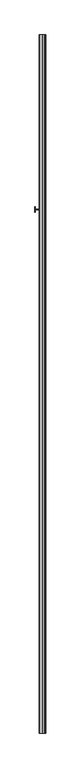
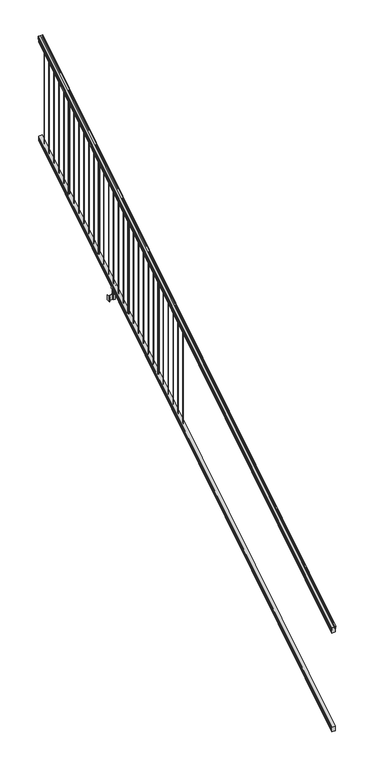
"""IFC4 building model written with IfcOpenShell, lengths in millimetres: railing geometry."""

from ifc_helpers import new_model, si_unit, point, frame, frame_2d, origin, place, context, project, spatial, polyline, circle_curve, ellipse_curve, trimmed, segment, composite_curve, outline, extrude, faceted_brep, source, transform, mapped, element, save
from ifc_brep_helpers import plane_surface, cylinder_surface, revolved_surface, advanced_brep


def railing_b6a951db(model_context):
    return source(origin(), model_context, "Body", "SolidModel", [
        advanced_brep(
        [(11092.2704765, -87458.4628453, 1285.6070492), (11092.2704765, -87458.4628453, 1287.8335658), (11093.4006628, -87458.4628453, 1289.6758543), (11093.4006628, -87458.4628453, 1298.1876358), (11092.7514064, -87458.4628453, 1301.0572588), (11095.2514064, -87458.4628453, 1306.1635509), (11096.6607489, -87458.4628453, 1308.1442021), (11097.0626479, -87458.4628453, 1309.4469579), (11097.0626478, -87458.4628453, 1311.0274846), (11095.5092005, -87458.4628453, 1312.8593836), (11074.8376478, -87458.4628453, 1312.8593836), (11054.166095, -87458.4628453, 1312.8593836), (11052.6126478, -87458.4628453, 1311.0274846), (11052.6126478, -87458.4628453, 1309.4469579), (11053.0145467, -87458.4628453, 1308.1442021), (11054.4238891, -87458.4628453, 1306.1635509), (11056.9238891, -87458.4628453, 1301.0572588), (11056.2746327, -87458.4628453, 1298.1876358), (11056.2746327, -87458.4628453, 1289.6758543), (11057.404819, -87458.4628453, 1287.8335658), (11057.404819, -87458.4628453, 1285.6070492), (11059.9786478, -87458.4628453, 1285.6070492), (11059.9786478, -87458.4628453, 1273.225537), (11058.9626478, -87458.4628453, 1272.0274214), (11058.9626478, -87458.4628453, 1257.3), (11090.7126478, -87458.4628453, 1257.3), (11090.7126478, -87458.4628453, 1271.841318), (11089.6966478, -87458.4628453, 1273.0394336), (11089.6966478, -87458.4628453, 1285.6070492), (11092.2704765, -82581.6628453, 4333.6070492), (11089.6966478, -82581.6628453, 4333.6070492), (11089.6966478, -82581.6628453, 4321.0394336), (11090.7126478, -82581.6628453, 4319.841318), (11090.7126478, -82581.6628453, 4305.3), (11058.9626478, -82581.6628453, 4305.3), (11058.9626478, -82581.6628453, 4320.0274214), (11059.9786478, -82581.6628453, 4321.225537), (11059.9786478, -82581.6628453, 4333.6070492), (11057.404819, -82581.6628453, 4333.6070492), (11057.404819, -82581.6628453, 4335.8335658), (11056.2746327, -82581.6628453, 4337.6758543), (11056.2746327, -82581.6628453, 4346.1876358), (11056.9238891, -82581.6628453, 4349.0572588), (11054.4238891, -82581.6628453, 4354.1635509), (11053.0145467, -82581.6628453, 4356.1442021), (11052.6126477, -82581.6628453, 4357.4469579), (11052.6126478, -82581.6628453, 4359.0274846), (11054.166095, -82581.6628453, 4360.8593836), (11074.8376478, -82581.6628453, 4360.8593836), (11095.5092005, -82581.6628453, 4360.8593836), (11097.0626478, -82581.6628453, 4359.0274846), (11097.0626478, -82581.6628453, 4357.4469579), (11096.6607489, -82581.6628453, 4356.1442021), (11095.2514064, -82581.6628453, 4354.1635509), (11092.7514064, -82581.6628453, 4349.0572588), (11093.4006628, -82581.6628453, 4346.1876358), (11093.4006628, -82581.6628453, 4337.6758543), (11092.2704765, -82581.6628453, 4335.8335658)],
        [
            (0, 1),
            (1, 2, ellipse_curve(frame((11085.9557232, -87458.4628453, 1294.6239405), z_axis=(0.0, -1.0, 0.0), x_axis=(0.0, 0.0, -1.0)), 10.0777926, 8.545951)),
            (2, 3, ellipse_curve(frame((11086.3927862, -87458.4628453, 1293.9317451), z_axis=(0.0, -1.0, 0.0), x_axis=(0.0, 0.0, -1.0)), 9.2955186, 7.882584)),
            (3, 4, ellipse_curve(frame((11096.9061103, -87458.4628453, 1300.8275077), z_axis=(0.0, 1.0, 0.0), x_axis=(0.0, 0.0, 1.0)), 4.9048088, 4.1592695)),
            (4, 5, ellipse_curve(frame((11098.1934169, -87458.4628453, 1300.7563208), z_axis=(0.0, 1.0, 0.0), x_axis=(0.0, 0.0, 1.0)), 6.4245301, 5.4479907)),
            (5, 6, ellipse_curve(frame((11096.9602584, -87458.4628453, 1306.1602333), z_axis=(0.0, 1.0, 0.0), x_axis=(0.0, 0.0, 1.0)), 2.0151625, 1.7088543)),
            (6, 7, ellipse_curve(frame((11095.3433583, -87458.4628453, 1309.4469579), z_axis=(0.0, -1.0, 0.0), x_axis=(0.0, 0.0, -1.0)), 2.0274681, 1.7192895)),
            (7, 8),
            (8, 9, ellipse_curve(frame((11095.5092005, -87458.4628453, 1311.0274846), z_axis=(0.0, -1.0, 0.0), x_axis=(0.0, 0.0, -1.0)), 1.831899, 1.5534472)),
            (9, 10),
            (10, 11),
            (11, 12, ellipse_curve(frame((11054.166095, -87458.4628453, 1311.0274846), z_axis=(0.0, -1.0, 0.0), x_axis=(0.0, 0.0, -1.0)), 1.831899, 1.5534472)),
            (12, 13),
            (13, 14, ellipse_curve(frame((11054.3319372, -87458.4628453, 1309.4469579), z_axis=(0.0, -1.0, 0.0), x_axis=(0.0, 0.0, -1.0)), 2.0274681, 1.7192895)),
            (14, 15, ellipse_curve(frame((11052.7150371, -87458.4628453, 1306.1602333), z_axis=(0.0, 1.0, 0.0), x_axis=(0.0, 0.0, 1.0)), 2.0151625, 1.7088543)),
            (15, 16, ellipse_curve(frame((11051.4818787, -87458.4628453, 1300.7563208), z_axis=(0.0, 1.0, 0.0), x_axis=(0.0, 0.0, 1.0)), 6.4245301, 5.4479907)),
            (16, 17, ellipse_curve(frame((11052.7691852, -87458.4628453, 1300.8275077), z_axis=(0.0, 1.0, 0.0), x_axis=(0.0, 0.0, 1.0)), 4.9048088, 4.1592695)),
            (17, 18, ellipse_curve(frame((11063.2825093, -87458.4628453, 1293.9317451), z_axis=(0.0, -1.0, 0.0), x_axis=(0.0, 0.0, -1.0)), 9.2955186, 7.882584)),
            (18, 19, ellipse_curve(frame((11063.7195723, -87458.4628453, 1294.6239405), z_axis=(0.0, -1.0, 0.0), x_axis=(0.0, 0.0, -1.0)), 10.0777926, 8.545951)),
            (19, 20),
            (20, 21, ellipse_curve(frame((11058.6917334, -87458.4628453, 1285.6070492), z_axis=(0.0, -1.0, 0.0), x_axis=(0.0, 0.0, -1.0)), 1.5175907, 1.2869144)),
            (21, 22),
            (22, 23),
            (23, 24),
            (24, 25),
            (25, 26),
            (26, 27),
            (27, 28),
            (28, 0, ellipse_curve(frame((11090.9835621, -87458.4628453, 1285.6070492), z_axis=(0.0, -1.0, 0.0), x_axis=(0.0, 0.0, -1.0)), 1.5175907, 1.2869144)),
            (29, 30, ellipse_curve(frame((11090.9835621, -82581.6628453, 4333.6070492), z_axis=(0.0, 1.0, 0.0), x_axis=(0.0, 0.0, -1.0)), 1.5175907, 1.2869144)),
            (30, 31),
            (31, 32),
            (32, 33),
            (33, 34),
            (34, 35),
            (35, 36),
            (36, 37),
            (37, 38, ellipse_curve(frame((11058.6917334, -82581.6628453, 4333.6070492), z_axis=(0.0, 1.0, 0.0), x_axis=(0.0, 0.0, -1.0)), 1.5175907, 1.2869144)),
            (38, 39),
            (39, 40, ellipse_curve(frame((11063.7195723, -82581.6628453, 4342.6239405), z_axis=(0.0, 1.0, 0.0), x_axis=(0.0, 0.0, -1.0)), 10.0777926, 8.545951)),
            (40, 41, ellipse_curve(frame((11063.2825093, -82581.6628453, 4341.9317451), z_axis=(0.0, 1.0, 0.0), x_axis=(0.0, 0.0, -1.0)), 9.2955186, 7.882584)),
            (41, 42, ellipse_curve(frame((11052.7691852, -82581.6628453, 4348.8275077), z_axis=(0.0, -1.0, 0.0), x_axis=(0.0, 0.0, 1.0)), 4.9048088, 4.1592695)),
            (42, 43, ellipse_curve(frame((11051.4818787, -82581.6628453, 4348.7563208), z_axis=(0.0, -1.0, 0.0), x_axis=(0.0, 0.0, 1.0)), 6.4245301, 5.4479907)),
            (43, 44, ellipse_curve(frame((11052.7150371, -82581.6628453, 4354.1602333), z_axis=(0.0, -1.0, 0.0), x_axis=(0.0, 0.0, 1.0)), 2.0151625, 1.7088543)),
            (44, 45, ellipse_curve(frame((11054.3319372, -82581.6628453, 4357.4469579), z_axis=(0.0, 1.0, 0.0), x_axis=(0.0, 0.0, -1.0)), 2.0274681, 1.7192895)),
            (45, 46),
            (46, 47, ellipse_curve(frame((11054.166095, -82581.6628453, 4359.0274846), z_axis=(0.0, 1.0, 0.0), x_axis=(0.0, 0.0, -1.0)), 1.831899, 1.5534472)),
            (47, 48),
            (48, 49),
            (49, 50, ellipse_curve(frame((11095.5092005, -82581.6628453, 4359.0274846), z_axis=(0.0, 1.0, 0.0), x_axis=(0.0, 0.0, -1.0)), 1.831899, 1.5534472)),
            (50, 51),
            (51, 52, ellipse_curve(frame((11095.3433583, -82581.6628453, 4357.4469579), z_axis=(0.0, 1.0, 0.0), x_axis=(0.0, 0.0, -1.0)), 2.0274681, 1.7192895)),
            (52, 53, ellipse_curve(frame((11096.9602584, -82581.6628453, 4354.1602333), z_axis=(0.0, -1.0, 0.0), x_axis=(0.0, 0.0, 1.0)), 2.0151625, 1.7088543)),
            (53, 54, ellipse_curve(frame((11098.1934169, -82581.6628453, 4348.7563208), z_axis=(0.0, -1.0, 0.0), x_axis=(0.0, 0.0, 1.0)), 6.4245301, 5.4479907)),
            (54, 55, ellipse_curve(frame((11096.9061103, -82581.6628453, 4348.8275077), z_axis=(0.0, -1.0, 0.0), x_axis=(0.0, 0.0, 1.0)), 4.9048088, 4.1592695)),
            (55, 56, ellipse_curve(frame((11086.3927862, -82581.6628453, 4341.9317451), z_axis=(0.0, 1.0, 0.0), x_axis=(0.0, 0.0, -1.0)), 9.2955186, 7.882584)),
            (56, 57, ellipse_curve(frame((11085.9557232, -82581.6628453, 4342.6239405), z_axis=(0.0, 1.0, 0.0), x_axis=(0.0, 0.0, -1.0)), 10.0777926, 8.545951)),
            (57, 29),
            (28, 30),
            (29, 0),
            (27, 31),
            (26, 32),
            (25, 33),
            (24, 34),
            (23, 35),
            (22, 36),
            (21, 37),
            (20, 38),
            (19, 39),
            (18, 40),
            (17, 41),
            (16, 42),
            (15, 43),
            (14, 44),
            (13, 45),
            (12, 46),
            (11, 47),
            (10, 48),
            (9, 49),
            (8, 50),
            (7, 51),
            (6, 52),
            (5, 53),
            (4, 54),
            (3, 55),
            (2, 56),
            (1, 57),
        ],
        [
            plane_surface(frame((11074.8376478, -87458.4628453, 1257.3), z_axis=(0.0, -1.0, 0.0), x_axis=(0.0, 0.0, 1.0))),
            plane_surface(frame((11074.8376478, -82581.6628453, 4305.3), z_axis=(0.0, 1.0, 0.0), x_axis=(0.0, 0.0, 1.0))),
            cylinder_surface(frame((11090.9835621, -87471.1851146, 1277.6556309), z_axis=(0.0, -0.8479983040051253, -0.5299989400031204), x_axis=(-1.0, 0.0, 0.0)), 1.2869144),
            plane_surface(frame((11089.6966478, -87458.4628453, 1273.0394336), z_axis=(1.0, 0.0, 0.0), x_axis=(0.0, 0.8479983040051252, 0.5299989400031204))),
            plane_surface(frame((11090.7126478, -87458.4628453, 1271.841318), z_axis=(0.7071067811865389, -0.3747658444978941, 0.5996253511967224), x_axis=(0.0, 0.8479983040051253, 0.5299989400031203))),
            plane_surface(frame((11090.7126478, -87458.4628453, 1257.3), z_axis=(1.0, 0.0, 0.0), x_axis=(0.0, 0.8479983040051252, 0.5299989400031204))),
            plane_surface(frame((11058.9626478, -87458.4628453, 1257.3), z_axis=(0.0, 0.5299989400031204, -0.8479983040051252), x_axis=(0.0, 0.8479983040051252, 0.5299989400031204))),
            plane_surface(frame((11058.9626478, -87458.4628453, 1272.0274214), z_axis=(-1.0000000000000002, 0.0, 0.0), x_axis=(0.0, 0.8479983040051253, 0.5299989400031204))),
            plane_surface(frame((11059.9786478, -87458.4628453, 1273.225537), z_axis=(-0.7071067811865438, -0.3747658444978897, 0.5996253511967192), x_axis=(0.0, 0.8479983040051252, 0.5299989400031204))),
            plane_surface(frame((11059.9786478, -87458.4628453, 1285.6070492), z_axis=(-1.0, 0.0, 0.0), x_axis=(0.0, 0.8479983040051252, 0.5299989400031204))),
            cylinder_surface(frame((11058.6917334, -87471.1851146, 1277.6556309), z_axis=(0.0, -0.8479983040051253, -0.5299989400031204), x_axis=(1.0, 0.0, 0.0)), 1.2869144),
            plane_surface(frame((11057.404819, -87458.4628453, 1287.8335658), z_axis=(-1.0, 0.0, 0.0), x_axis=(0.0, 0.8479983040051252, 0.5299989400031204))),
            cylinder_surface(frame((11063.7195723, -87475.23765, 1284.1396876), z_axis=(0.0, -0.8479983040051253, -0.5299989400031204), x_axis=(1.0, 0.0, 0.0)), 8.545951),
            cylinder_surface(frame((11063.2825093, -87474.9265509, 1283.641929), z_axis=(0.0, -0.8479983040051253, -0.5299989400031204), x_axis=(1.0, 0.0, 0.0)), 7.882584),
            revolved_surface(polyline([(11056.9284547, -82579.45843685034, 4350.205262980551), (11056.9284547, -87460.66725374945, 1299.4497524190954)]), (11052.7691852, -87478.0257701, 1288.6006797), (0.0, 0.8479983040051253, 0.5299989400031204)),
            revolved_surface(polyline([(11056.9298694, -82578.77541603574, 4350.5609640771845), (11056.9298694, -87461.35027455281, 1298.9516775044929)]), (11051.4818787, -87477.993776, 1288.5494891), (0.0, 0.8479983040051253, 0.5299989400031204)),
            revolved_surface(polyline([(11054.423891400002, -82580.75715429979, 4354.726290199658), (11054.423891400002, -87459.36853632248, 1305.5941764359545)]), (11052.7150371, -87480.4225007, 1292.4354487), (0.0, 0.8479983040051253, 0.5299989400031204)),
            cylinder_surface(frame((11054.3319372, -87481.8996803, 1294.798936), z_axis=(0.0, -0.8479983040051253, -0.5299989400031204), x_axis=(1.0, 0.0, 0.0)), 1.7192895),
            plane_surface(frame((11052.6126478, -87458.4628453, 1311.0274846), z_axis=(-1.0000000000000002, 0.0, 0.0), x_axis=(0.0, 0.8479983040051253, 0.5299989400031204))),
            cylinder_surface(frame((11054.166095, -87482.6100294, 1295.9354945), z_axis=(0.0, -0.8479983040051253, -0.5299989400031204), x_axis=(1.0, 0.0, 0.0)), 1.5534472),
            plane_surface(frame((11074.8376478, -87458.4628453, 1312.8593836), z_axis=(0.0, -0.5299989400031204, 0.8479983040051252), x_axis=(0.0, 0.8479983040051252, 0.5299989400031204))),
            plane_surface(frame((11095.5092005, -87458.4628453, 1312.8593836), z_axis=(0.0, -0.5299989400031204, 0.8479983040051252), x_axis=(0.0, 0.8479983040051252, 0.5299989400031204))),
            cylinder_surface(frame((11095.5092005, -87482.6100294, 1295.9354945), z_axis=(0.0, -0.8479983040051253, -0.5299989400031204), x_axis=(-1.0, 0.0, 0.0)), 1.5534472),
            plane_surface(frame((11097.0626478, -87458.4628453, 1309.4469579), z_axis=(1.0, 0.0, 0.0), x_axis=(0.0, 0.8479983040051252, 0.5299989400031204))),
            cylinder_surface(frame((11095.3433583, -87481.8996803, 1294.798936), z_axis=(0.0, -0.8479983040051253, -0.5299989400031204), x_axis=(-1.0, 0.0, 0.0)), 1.7192895),
            revolved_surface(polyline([(11095.2514041, -82580.75715429979, 4354.726290199658), (11095.2514041, -87459.36853632248, 1305.5941764359545)]), (11096.9602584, -87480.4225007, 1292.4354487), (0.0, 0.8479983040051253, 0.5299989400031204)),
            revolved_surface(polyline([(11092.7454262, -82578.77541603574, 4350.5609640771845), (11092.7454262, -87461.35027455281, 1298.9516775044929)]), (11098.1934169, -87477.993776, 1288.5494891), (0.0, 0.8479983040051253, 0.5299989400031204)),
            revolved_surface(polyline([(11092.7468408, -82579.45843685034, 4350.205262980551), (11092.7468408, -87460.66725374945, 1299.4497524190954)]), (11096.9061103, -87478.0257701, 1288.6006797), (0.0, 0.8479983040051253, 0.5299989400031204)),
            cylinder_surface(frame((11086.3927862, -87474.9265509, 1283.641929), z_axis=(0.0, -0.8479983040051253, -0.5299989400031204), x_axis=(-1.0, 0.0, 0.0)), 7.882584),
            cylinder_surface(frame((11085.9557232, -87475.23765, 1284.1396876), z_axis=(0.0, -0.8479983040051253, -0.5299989400031204), x_axis=(-1.0, 0.0, 0.0)), 8.545951),
            plane_surface(frame((11092.2704765, -87458.4628453, 1285.6070492), z_axis=(1.0, 0.0, 0.0), x_axis=(0.0, 0.8479983040051252, 0.5299989400031204))),
        ],
        [
            (0, [[1, 2, 3, 4, 5, 6, 7, 8, 9, 10, 11, 12, 13, 14, 15, 16, 17, 18, 19, 20, 21, 22, 23, 24, 25, 26, 27, 28, 29]]),
            (1, [[30, 31, 32, 33, 34, 35, 36, 37, 38, 39, 40, 41, 42, 43, 44, 45, 46, 47, 48, 49, 50, 51, 52, 53, 54, 55, 56, 57, 58]]),
            (2, [[-29, 59, -30, 60]]),
            (3, [[-28, 61, -31, -59]]),
            (4, [[-27, 62, -32, -61]]),
            (5, [[-26, 63, -33, -62]]),
            (6, [[-25, 64, -34, -63]]),
            (7, [[-24, 65, -35, -64]]),
            (8, [[-23, 66, -36, -65]]),
            (9, [[-22, 67, -37, -66]]),
            (10, [[-21, 68, -38, -67]]),
            (11, [[-20, 69, -39, -68]]),
            (12, [[-19, 70, -40, -69]]),
            (13, [[-18, 71, -41, -70]]),
            (14, [[-17, 72, -42, -71]]),
            (15, [[-16, 73, -43, -72]]),
            (16, [[-15, 74, -44, -73]]),
            (17, [[-14, 75, -45, -74]]),
            (18, [[-13, 76, -46, -75]]),
            (19, [[-12, 77, -47, -76]]),
            (20, [[-11, 78, -48, -77]]),
            (21, [[-10, 79, -49, -78]]),
            (22, [[-9, 80, -50, -79]]),
            (23, [[-8, 81, -51, -80]]),
            (24, [[-7, 82, -52, -81]]),
            (25, [[-6, 83, -53, -82]]),
            (26, [[-5, 84, -54, -83]]),
            (27, [[-4, 85, -55, -84]]),
            (28, [[-3, 86, -56, -85]]),
            (29, [[-2, 87, -57, -86]]),
            (30, [[-1, -60, -58, -87]]),
        ],
    ),
        faceted_brep([(11090.7501347, -87458.4628453, 268.8045079), (11089.7341347, -87458.4628453, 270.338026), (11089.7341347, -87458.4628453, 282.5545048), (11090.7501347, -87458.4628453, 284.1444579), (11090.7501347, -87458.4628453, 298.9244744), (11059.0001347, -87458.4628453, 298.9244744), (11059.0001347, -87458.4628453, 284.1248272), (11060.0161347, -87458.4628453, 282.5348741), (11060.0161347, -87458.4628453, 270.3748303), (11059.0001347, -87458.4628453, 268.7848772), (11059.0001347, -87458.4628453, 254.0), (11090.7501347, -87458.4628453, 254.0), (11090.7501347, -82581.6628453, 3316.8045079), (11090.7501347, -82581.6628453, 3302.0), (11059.0001347, -82581.6628453, 3302.0), (11059.0001347, -82581.6628453, 3316.7848772), (11060.0161347, -82581.6628453, 3318.3748303), (11060.0161347, -82581.6628453, 3330.5348741), (11059.0001347, -82581.6628453, 3332.1248272), (11059.0001347, -82581.6628453, 3346.9244744), (11090.7501347, -82581.6628453, 3346.9244744), (11090.7501347, -82581.6628453, 3332.1444579), (11089.7341347, -82581.6628453, 3330.5545048), (11089.7341347, -82581.6628453, 3318.338026)], [[[0, 1, 2, 3, 4, 5, 6, 7, 8, 9, 10, 11]], [[12, 13, 14, 15, 16, 17, 18, 19, 20, 21, 22, 23]], [[0, 11, 13, 12]], [[11, 10, 14, 13]], [[10, 9, 15, 14]], [[9, 8, 16, 15]], [[8, 7, 17, 16]], [[7, 6, 18, 17]], [[6, 5, 19, 18]], [[5, 4, 20, 19]], [[4, 3, 21, 20]], [[3, 2, 22, 21]], [[2, 1, 23, 22]], [[1, 0, 12, 23]]]),
        extrude(outline(composite_curve([segment(trimmed(circle_curve(frame_2d((11074.8376478, -82645.1628453)), 1.5875), [point((11076.4251478, -82645.1628453))], [point((11074.8376478, -82646.7503453))], False, "CARTESIAN"), True, "CONTINUOUS"), segment(trimmed(circle_curve(frame_2d((11074.8376478, -82645.1628453)), 1.5875), [point((11074.8376478, -82646.7503453))], [point((11073.2501478, -82645.1628453))], False, "CARTESIAN"), True, "CONTINUOUS"), segment(trimmed(circle_curve(frame_2d((11074.8376478, -82645.1628453)), 1.5875), [point((11073.2501478, -82645.1628453))], [point((11074.8376478, -82643.5753453))], False, "CARTESIAN"), True, "CONTINUOUS"), segment(trimmed(circle_curve(frame_2d((11074.8376478, -82645.1628453)), 1.5875), [point((11074.8376478, -82643.5753453))], [point((11076.4251478, -82645.1628453))], False, "CARTESIAN"), True, "CONTINUOUS")], self_intersect=False)), frame((0.0, 0.0, 3300.4083781), z_axis=(0.0, 0.0, 1.0), x_axis=(1.0, 0.0, 0.0)), (0.0, 0.0, 1.0), 965.2041219),
        extrude(outline(composite_curve([segment(trimmed(circle_curve(frame_2d((11074.8376478, -82727.7128453)), 1.5875), [point((11076.4251478, -82727.7128453))], [point((11074.8376478, -82729.3003453))], False, "CARTESIAN"), True, "CONTINUOUS"), segment(trimmed(circle_curve(frame_2d((11074.8376478, -82727.7128453)), 1.5875), [point((11074.8376478, -82729.3003453))], [point((11073.2501478, -82727.7128453))], False, "CARTESIAN"), True, "CONTINUOUS"), segment(trimmed(circle_curve(frame_2d((11074.8376478, -82727.7128453)), 1.5875), [point((11073.2501478, -82727.7128453))], [point((11074.8376478, -82726.1253453))], False, "CARTESIAN"), True, "CONTINUOUS"), segment(trimmed(circle_curve(frame_2d((11074.8376478, -82727.7128453)), 1.5875), [point((11074.8376478, -82726.1253453))], [point((11076.4251478, -82727.7128453))], False, "CARTESIAN"), True, "CONTINUOUS")], self_intersect=False)), frame((0.0, 0.0, 3248.8146281), z_axis=(0.0, 0.0, 1.0), x_axis=(1.0, 0.0, 0.0)), (0.0, 0.0, 1.0), 965.2041219),
        extrude(outline(composite_curve([segment(trimmed(circle_curve(frame_2d((11074.8376478, -82810.2628453)), 1.5875), [point((11076.4251478, -82810.2628453))], [point((11074.8376478, -82811.8503453))], False, "CARTESIAN"), True, "CONTINUOUS"), segment(trimmed(circle_curve(frame_2d((11074.8376478, -82810.2628453)), 1.5875), [point((11074.8376478, -82811.8503453))], [point((11073.2501478, -82810.2628453))], False, "CARTESIAN"), True, "CONTINUOUS"), segment(trimmed(circle_curve(frame_2d((11074.8376478, -82810.2628453)), 1.5875), [point((11073.2501478, -82810.2628453))], [point((11074.8376478, -82808.6753453))], False, "CARTESIAN"), True, "CONTINUOUS"), segment(trimmed(circle_curve(frame_2d((11074.8376478, -82810.2628453)), 1.5875), [point((11074.8376478, -82808.6753453))], [point((11076.4251478, -82810.2628453))], False, "CARTESIAN"), True, "CONTINUOUS")], self_intersect=False)), frame((0.0, 0.0, 3197.2208781), z_axis=(0.0, 0.0, 1.0), x_axis=(1.0, 0.0, 0.0)), (0.0, 0.0, 1.0), 965.2041219),
        extrude(outline(composite_curve([segment(trimmed(circle_curve(frame_2d((11074.8376478, -82892.8128453)), 1.5875), [point((11076.4251478, -82892.8128453))], [point((11074.8376478, -82894.4003453))], False, "CARTESIAN"), True, "CONTINUOUS"), segment(trimmed(circle_curve(frame_2d((11074.8376478, -82892.8128453)), 1.5875), [point((11074.8376478, -82894.4003453))], [point((11073.2501478, -82892.8128453))], False, "CARTESIAN"), True, "CONTINUOUS"), segment(trimmed(circle_curve(frame_2d((11074.8376478, -82892.8128453)), 1.5875), [point((11073.2501478, -82892.8128453))], [point((11074.8376478, -82891.2253453))], False, "CARTESIAN"), True, "CONTINUOUS"), segment(trimmed(circle_curve(frame_2d((11074.8376478, -82892.8128453)), 1.5875), [point((11074.8376478, -82891.2253453))], [point((11076.4251478, -82892.8128453))], False, "CARTESIAN"), True, "CONTINUOUS")], self_intersect=False)), frame((0.0, 0.0, 3145.6271281), z_axis=(0.0, 0.0, 1.0), x_axis=(1.0, 0.0, 0.0)), (0.0, 0.0, 1.0), 965.2041219),
        extrude(outline(composite_curve([segment(trimmed(circle_curve(frame_2d((11074.8376478, -82975.3628453)), 1.5875), [point((11076.4251478, -82975.3628453))], [point((11074.8376478, -82976.9503453))], False, "CARTESIAN"), True, "CONTINUOUS"), segment(trimmed(circle_curve(frame_2d((11074.8376478, -82975.3628453)), 1.5875), [point((11074.8376478, -82976.9503453))], [point((11073.2501478, -82975.3628453))], False, "CARTESIAN"), True, "CONTINUOUS"), segment(trimmed(circle_curve(frame_2d((11074.8376478, -82975.3628453)), 1.5875), [point((11073.2501478, -82975.3628453))], [point((11074.8376478, -82973.7753453))], False, "CARTESIAN"), True, "CONTINUOUS"), segment(trimmed(circle_curve(frame_2d((11074.8376478, -82975.3628453)), 1.5875), [point((11074.8376478, -82973.7753453))], [point((11076.4251478, -82975.3628453))], False, "CARTESIAN"), True, "CONTINUOUS")], self_intersect=False)), frame((0.0, 0.0, 3094.0333781), z_axis=(0.0, 0.0, 1.0), x_axis=(1.0, 0.0, 0.0)), (0.0, 0.0, 1.0), 965.2041219),
        extrude(outline(composite_curve([segment(trimmed(circle_curve(frame_2d((11074.8376478, -83057.9128453)), 6.35), [point((11081.1876478, -83057.9128453))], [point((11074.8376478, -83064.2628453))], False, "CARTESIAN"), True, "CONTINUOUS"), segment(trimmed(circle_curve(frame_2d((11074.8376478, -83057.9128453)), 6.35), [point((11074.8376478, -83064.2628453))], [point((11068.4876478, -83057.9128453))], False, "CARTESIAN"), True, "CONTINUOUS"), segment(trimmed(circle_curve(frame_2d((11074.8376478, -83057.9128453)), 6.35), [point((11068.4876478, -83057.9128453))], [point((11074.8376478, -83051.5628453))], False, "CARTESIAN"), True, "CONTINUOUS"), segment(trimmed(circle_curve(frame_2d((11074.8376478, -83057.9128453)), 6.35), [point((11074.8376478, -83051.5628453))], [point((11081.1876478, -83057.9128453))], False, "CARTESIAN"), True, "CONTINUOUS")], self_intersect=False)), frame((0.0, 0.0, 3042.4396281), z_axis=(0.0, 0.0, 1.0), x_axis=(1.0, 0.0, 0.0)), (0.0, 0.0, 1.0), 965.2041219),
        extrude(outline(composite_curve([segment(trimmed(circle_curve(frame_2d((11074.8376478, -83140.4628453)), 1.5875), [point((11076.4251478, -83140.4628453))], [point((11074.8376478, -83142.0503453))], False, "CARTESIAN"), True, "CONTINUOUS"), segment(trimmed(circle_curve(frame_2d((11074.8376478, -83140.4628453)), 1.5875), [point((11074.8376478, -83142.0503453))], [point((11073.2501478, -83140.4628453))], False, "CARTESIAN"), True, "CONTINUOUS"), segment(trimmed(circle_curve(frame_2d((11074.8376478, -83140.4628453)), 1.5875), [point((11073.2501478, -83140.4628453))], [point((11074.8376478, -83138.8753453))], False, "CARTESIAN"), True, "CONTINUOUS"), segment(trimmed(circle_curve(frame_2d((11074.8376478, -83140.4628453)), 1.5875), [point((11074.8376478, -83138.8753453))], [point((11076.4251478, -83140.4628453))], False, "CARTESIAN"), True, "CONTINUOUS")], self_intersect=False)), frame((0.0, 0.0, 2990.8458781), z_axis=(0.0, 0.0, 1.0), x_axis=(1.0, 0.0, 0.0)), (0.0, 0.0, 1.0), 965.2041219),
        extrude(outline(composite_curve([segment(trimmed(circle_curve(frame_2d((11074.8376478, -83223.0128453)), 1.5875), [point((11076.4251478, -83223.0128453))], [point((11074.8376478, -83224.6003453))], False, "CARTESIAN"), True, "CONTINUOUS"), segment(trimmed(circle_curve(frame_2d((11074.8376478, -83223.0128453)), 1.5875), [point((11074.8376478, -83224.6003453))], [point((11073.2501478, -83223.0128453))], False, "CARTESIAN"), True, "CONTINUOUS"), segment(trimmed(circle_curve(frame_2d((11074.8376478, -83223.0128453)), 1.5875), [point((11073.2501478, -83223.0128453))], [point((11074.8376478, -83221.4253453))], False, "CARTESIAN"), True, "CONTINUOUS"), segment(trimmed(circle_curve(frame_2d((11074.8376478, -83223.0128453)), 1.5875), [point((11074.8376478, -83221.4253453))], [point((11076.4251478, -83223.0128453))], False, "CARTESIAN"), True, "CONTINUOUS")], self_intersect=False)), frame((0.0, 0.0, 2939.2521281), z_axis=(0.0, 0.0, 1.0), x_axis=(1.0, 0.0, 0.0)), (0.0, 0.0, 1.0), 965.2041219),
        extrude(outline(composite_curve([segment(trimmed(circle_curve(frame_2d((11074.8376478, -83305.5628453)), 1.5875), [point((11076.4251478, -83305.5628453))], [point((11074.8376478, -83307.1503453))], False, "CARTESIAN"), True, "CONTINUOUS"), segment(trimmed(circle_curve(frame_2d((11074.8376478, -83305.5628453)), 1.5875), [point((11074.8376478, -83307.1503453))], [point((11073.2501478, -83305.5628453))], False, "CARTESIAN"), True, "CONTINUOUS"), segment(trimmed(circle_curve(frame_2d((11074.8376478, -83305.5628453)), 1.5875), [point((11073.2501478, -83305.5628453))], [point((11074.8376478, -83303.9753453))], False, "CARTESIAN"), True, "CONTINUOUS"), segment(trimmed(circle_curve(frame_2d((11074.8376478, -83305.5628453)), 1.5875), [point((11074.8376478, -83303.9753453))], [point((11076.4251478, -83305.5628453))], False, "CARTESIAN"), True, "CONTINUOUS")], self_intersect=False)), frame((0.0, 0.0, 2887.6583781), z_axis=(0.0, 0.0, 1.0), x_axis=(1.0, 0.0, 0.0)), (0.0, 0.0, 1.0), 965.2041219),
        extrude(outline(composite_curve([segment(trimmed(circle_curve(frame_2d((11074.8376478, -83388.1128453)), 1.5875), [point((11076.4251478, -83388.1128453))], [point((11074.8376478, -83389.7003453))], False, "CARTESIAN"), True, "CONTINUOUS"), segment(trimmed(circle_curve(frame_2d((11074.8376478, -83388.1128453)), 1.5875), [point((11074.8376478, -83389.7003453))], [point((11073.2501478, -83388.1128453))], False, "CARTESIAN"), True, "CONTINUOUS"), segment(trimmed(circle_curve(frame_2d((11074.8376478, -83388.1128453)), 1.5875), [point((11073.2501478, -83388.1128453))], [point((11074.8376478, -83386.5253453))], False, "CARTESIAN"), True, "CONTINUOUS"), segment(trimmed(circle_curve(frame_2d((11074.8376478, -83388.1128453)), 1.5875), [point((11074.8376478, -83386.5253453))], [point((11076.4251478, -83388.1128453))], False, "CARTESIAN"), True, "CONTINUOUS")], self_intersect=False)), frame((0.0, 0.0, 2836.0646281), z_axis=(0.0, 0.0, 1.0), x_axis=(1.0, 0.0, 0.0)), (0.0, 0.0, 1.0), 965.2041219),
        extrude(outline(composite_curve([segment(trimmed(circle_curve(frame_2d((11074.8376478, -83470.6628453)), 1.5875), [point((11076.4251478, -83470.6628453))], [point((11074.8376478, -83472.2503453))], False, "CARTESIAN"), True, "CONTINUOUS"), segment(trimmed(circle_curve(frame_2d((11074.8376478, -83470.6628453)), 1.5875), [point((11074.8376478, -83472.2503453))], [point((11073.2501478, -83470.6628453))], False, "CARTESIAN"), True, "CONTINUOUS"), segment(trimmed(circle_curve(frame_2d((11074.8376478, -83470.6628453)), 1.5875), [point((11073.2501478, -83470.6628453))], [point((11074.8376478, -83469.0753453))], False, "CARTESIAN"), True, "CONTINUOUS"), segment(trimmed(circle_curve(frame_2d((11074.8376478, -83470.6628453)), 1.5875), [point((11074.8376478, -83469.0753453))], [point((11076.4251478, -83470.6628453))], False, "CARTESIAN"), True, "CONTINUOUS")], self_intersect=False)), frame((0.0, 0.0, 2784.4708781), z_axis=(0.0, 0.0, 1.0), x_axis=(1.0, 0.0, 0.0)), (0.0, 0.0, 1.0), 965.2041219),
        extrude(outline(composite_curve([segment(trimmed(circle_curve(frame_2d((11074.8376478, -83553.2128453)), 6.35), [point((11081.1876478, -83553.2128453))], [point((11074.8376478, -83559.5628453))], False, "CARTESIAN"), True, "CONTINUOUS"), segment(trimmed(circle_curve(frame_2d((11074.8376478, -83553.2128453)), 6.35), [point((11074.8376478, -83559.5628453))], [point((11068.4876478, -83553.2128453))], False, "CARTESIAN"), True, "CONTINUOUS"), segment(trimmed(circle_curve(frame_2d((11074.8376478, -83553.2128453)), 6.35), [point((11068.4876478, -83553.2128453))], [point((11074.8376478, -83546.8628453))], False, "CARTESIAN"), True, "CONTINUOUS"), segment(trimmed(circle_curve(frame_2d((11074.8376478, -83553.2128453)), 6.35), [point((11074.8376478, -83546.8628453))], [point((11081.1876478, -83553.2128453))], False, "CARTESIAN"), True, "CONTINUOUS")], self_intersect=False)), frame((0.0, 0.0, 2732.8771281), z_axis=(0.0, 0.0, 1.0), x_axis=(1.0, 0.0, 0.0)), (0.0, 0.0, 1.0), 965.2041219),
        extrude(outline(composite_curve([segment(trimmed(circle_curve(frame_2d((11074.8376478, -83635.7628453)), 1.5875), [point((11076.4251478, -83635.7628453))], [point((11074.8376478, -83637.3503453))], False, "CARTESIAN"), True, "CONTINUOUS"), segment(trimmed(circle_curve(frame_2d((11074.8376478, -83635.7628453)), 1.5875), [point((11074.8376478, -83637.3503453))], [point((11073.2501478, -83635.7628453))], False, "CARTESIAN"), True, "CONTINUOUS"), segment(trimmed(circle_curve(frame_2d((11074.8376478, -83635.7628453)), 1.5875), [point((11073.2501478, -83635.7628453))], [point((11074.8376478, -83634.1753453))], False, "CARTESIAN"), True, "CONTINUOUS"), segment(trimmed(circle_curve(frame_2d((11074.8376478, -83635.7628453)), 1.5875), [point((11074.8376478, -83634.1753453))], [point((11076.4251478, -83635.7628453))], False, "CARTESIAN"), True, "CONTINUOUS")], self_intersect=False)), frame((0.0, 0.0, 2681.2833781), z_axis=(0.0, 0.0, 1.0), x_axis=(1.0, 0.0, 0.0)), (0.0, 0.0, 1.0), 965.2041219),
        extrude(outline(composite_curve([segment(trimmed(circle_curve(frame_2d((11074.8376478, -83718.3128453)), 1.5875), [point((11076.4251478, -83718.3128453))], [point((11074.8376478, -83719.9003453))], False, "CARTESIAN"), True, "CONTINUOUS"), segment(trimmed(circle_curve(frame_2d((11074.8376478, -83718.3128453)), 1.5875), [point((11074.8376478, -83719.9003453))], [point((11073.2501478, -83718.3128453))], False, "CARTESIAN"), True, "CONTINUOUS"), segment(trimmed(circle_curve(frame_2d((11074.8376478, -83718.3128453)), 1.5875), [point((11073.2501478, -83718.3128453))], [point((11074.8376478, -83716.7253453))], False, "CARTESIAN"), True, "CONTINUOUS"), segment(trimmed(circle_curve(frame_2d((11074.8376478, -83718.3128453)), 1.5875), [point((11074.8376478, -83716.7253453))], [point((11076.4251478, -83718.3128453))], False, "CARTESIAN"), True, "CONTINUOUS")], self_intersect=False)), frame((0.0, 0.0, 2629.6896281), z_axis=(0.0, 0.0, 1.0), x_axis=(1.0, 0.0, 0.0)), (0.0, 0.0, 1.0), 965.2041219),
        extrude(outline(polyline([(11064.169648, -83802.1328453), (11024.7996478, -83802.1328453), (11024.7996478, -83799.5928453), (11064.169648, -83799.5928453), (11064.169648, -83802.1328453)])), frame((0.0, 0.0, 2425.7), z_axis=(0.0, 0.0, 1.0), x_axis=(1.0, 0.0, 0.0)), (0.0, 0.0, 1.0), 50.8),
        extrude(outline(polyline([(11024.7996478, -83819.9128453), (11022.2596478, -83819.9128453), (11022.2596478, -83781.8128453), (11024.7996478, -83781.8128453), (11024.7996478, -83819.9128453)])), frame((0.0, 0.0, 2425.7), z_axis=(0.0, 0.0, 1.0), x_axis=(1.0, 0.0, 0.0)), (0.0, 0.0, 1.0), 50.8),
        extrude(outline(polyline([(11085.5056485, -83810.7688453), (11064.169648, -83810.7688453), (11064.169648, -83790.9568453), (11085.5056485, -83790.9568453), (11085.5056485, -83810.7688453)]), holes=[polyline([(11082.2036484, -83808.2288453), (11082.2036484, -83793.4968453), (11067.4716481, -83793.4968453), (11067.4716481, -83808.2288453), (11082.2036484, -83808.2288453)])]), frame((0.0, 0.0, 2425.7), z_axis=(0.0, 0.0, 1.0), x_axis=(1.0, 0.0, 0.0)), (0.0, 0.0, 1.0), 50.8),
        extrude(outline(polyline([(2565.2203979, 11056.6766489), (2564.4583969, 11055.9146479), (2537.9680023, 11055.9146479), (2537.2060013, 11056.6766489), (2537.2060013, 11066.709648), (2536.4440012, 11067.4716481), (2472.9440012, 11067.4716481), (2472.9440012, 11082.2036484), (2536.4440012, 11082.2036484), (2537.2060013, 11082.9656485), (2537.2060013, 11092.9986475), (2537.9680023, 11093.7606486), (2564.4583969, 11093.7606486), (2565.2203979, 11092.9986475), (2565.2203979, 11090.966648), (2564.2043953, 11089.9506482), (2553.7686081, 11089.9506482), (2552.7526073, 11090.966648), (2540.762001, 11090.966648), (2540.0000019, 11090.2046488), (2540.0000019, 11059.4706477), (2540.762001, 11058.7086485), (2552.7526073, 11058.7086485), (2553.7686081, 11059.7246483), (2564.2043953, 11059.7246483), (2565.2203979, 11058.7086485), (2565.2203979, 11056.6766489)]), holes=[polyline([(2537.2060013, 11078.2666481), (2536.4440012, 11079.0286482), (2480.4370031, 11079.0286482), (2479.6750031, 11078.2666481), (2479.6750031, 11071.4086455), (2480.4370003, 11070.6466483), (2536.4440012, 11070.6466483), (2537.2060013, 11071.4086483), (2537.2060013, 11078.2666481)])]), frame((0.0, -83808.2288453, 0.0), z_axis=(0.0, 1.0, 0.0), x_axis=(0.0, 0.0, 1.0)), (0.0, 0.0, 1.0), 14.732),
        extrude(outline(composite_curve([segment(trimmed(circle_curve(frame_2d((11074.8376478, -83800.8628453)), 1.5875), [point((11076.4251478, -83800.8628453))], [point((11074.8376478, -83802.4503453))], False, "CARTESIAN"), True, "CONTINUOUS"), segment(trimmed(circle_curve(frame_2d((11074.8376478, -83800.8628453)), 1.5875), [point((11074.8376478, -83802.4503453))], [point((11073.2501478, -83800.8628453))], False, "CARTESIAN"), True, "CONTINUOUS"), segment(trimmed(circle_curve(frame_2d((11074.8376478, -83800.8628453)), 1.5875), [point((11073.2501478, -83800.8628453))], [point((11074.8376478, -83799.2753453))], False, "CARTESIAN"), True, "CONTINUOUS"), segment(trimmed(circle_curve(frame_2d((11074.8376478, -83800.8628453)), 1.5875), [point((11074.8376478, -83799.2753453))], [point((11076.4251478, -83800.8628453))], False, "CARTESIAN"), True, "CONTINUOUS")], self_intersect=False)), frame((0.0, 0.0, 2578.0958781), z_axis=(0.0, 0.0, 1.0), x_axis=(1.0, 0.0, 0.0)), (0.0, 0.0, 1.0), 965.2041219),
        extrude(outline(composite_curve([segment(trimmed(circle_curve(frame_2d((11074.8376478, -83883.4128453)), 1.5875), [point((11076.4251478, -83883.4128453))], [point((11074.8376478, -83885.0003453))], False, "CARTESIAN"), True, "CONTINUOUS"), segment(trimmed(circle_curve(frame_2d((11074.8376478, -83883.4128453)), 1.5875), [point((11074.8376478, -83885.0003453))], [point((11073.2501478, -83883.4128453))], False, "CARTESIAN"), True, "CONTINUOUS"), segment(trimmed(circle_curve(frame_2d((11074.8376478, -83883.4128453)), 1.5875), [point((11073.2501478, -83883.4128453))], [point((11074.8376478, -83881.8253453))], False, "CARTESIAN"), True, "CONTINUOUS"), segment(trimmed(circle_curve(frame_2d((11074.8376478, -83883.4128453)), 1.5875), [point((11074.8376478, -83881.8253453))], [point((11076.4251478, -83883.4128453))], False, "CARTESIAN"), True, "CONTINUOUS")], self_intersect=False)), frame((0.0, 0.0, 2526.5021281), z_axis=(0.0, 0.0, 1.0), x_axis=(1.0, 0.0, 0.0)), (0.0, 0.0, 1.0), 965.2041219),
        extrude(outline(composite_curve([segment(trimmed(circle_curve(frame_2d((11074.8376478, -83965.9628453)), 1.5875), [point((11076.4251478, -83965.9628453))], [point((11074.8376478, -83967.5503453))], False, "CARTESIAN"), True, "CONTINUOUS"), segment(trimmed(circle_curve(frame_2d((11074.8376478, -83965.9628453)), 1.5875), [point((11074.8376478, -83967.5503453))], [point((11073.2501478, -83965.9628453))], False, "CARTESIAN"), True, "CONTINUOUS"), segment(trimmed(circle_curve(frame_2d((11074.8376478, -83965.9628453)), 1.5875), [point((11073.2501478, -83965.9628453))], [point((11074.8376478, -83964.3753453))], False, "CARTESIAN"), True, "CONTINUOUS"), segment(trimmed(circle_curve(frame_2d((11074.8376478, -83965.9628453)), 1.5875), [point((11074.8376478, -83964.3753453))], [point((11076.4251478, -83965.9628453))], False, "CARTESIAN"), True, "CONTINUOUS")], self_intersect=False)), frame((0.0, 0.0, 2474.9083781), z_axis=(0.0, 0.0, 1.0), x_axis=(1.0, 0.0, 0.0)), (0.0, 0.0, 1.0), 965.2041219),
        extrude(outline(composite_curve([segment(trimmed(circle_curve(frame_2d((11074.8376478, -84048.5128453)), 6.35), [point((11081.1876478, -84048.5128453))], [point((11074.8376478, -84054.8628453))], False, "CARTESIAN"), True, "CONTINUOUS"), segment(trimmed(circle_curve(frame_2d((11074.8376478, -84048.5128453)), 6.35), [point((11074.8376478, -84054.8628453))], [point((11068.4876478, -84048.5128453))], False, "CARTESIAN"), True, "CONTINUOUS"), segment(trimmed(circle_curve(frame_2d((11074.8376478, -84048.5128453)), 6.35), [point((11068.4876478, -84048.5128453))], [point((11074.8376478, -84042.1628453))], False, "CARTESIAN"), True, "CONTINUOUS"), segment(trimmed(circle_curve(frame_2d((11074.8376478, -84048.5128453)), 6.35), [point((11074.8376478, -84042.1628453))], [point((11081.1876478, -84048.5128453))], False, "CARTESIAN"), True, "CONTINUOUS")], self_intersect=False)), frame((0.0, 0.0, 2423.3146281), z_axis=(0.0, 0.0, 1.0), x_axis=(1.0, 0.0, 0.0)), (0.0, 0.0, 1.0), 965.2041219),
        extrude(outline(composite_curve([segment(trimmed(circle_curve(frame_2d((11074.8376478, -84131.0628453)), 1.5875), [point((11076.4251478, -84131.0628453))], [point((11074.8376478, -84132.6503453))], False, "CARTESIAN"), True, "CONTINUOUS"), segment(trimmed(circle_curve(frame_2d((11074.8376478, -84131.0628453)), 1.5875), [point((11074.8376478, -84132.6503453))], [point((11073.2501478, -84131.0628453))], False, "CARTESIAN"), True, "CONTINUOUS"), segment(trimmed(circle_curve(frame_2d((11074.8376478, -84131.0628453)), 1.5875), [point((11073.2501478, -84131.0628453))], [point((11074.8376478, -84129.4753453))], False, "CARTESIAN"), True, "CONTINUOUS"), segment(trimmed(circle_curve(frame_2d((11074.8376478, -84131.0628453)), 1.5875), [point((11074.8376478, -84129.4753453))], [point((11076.4251478, -84131.0628453))], False, "CARTESIAN"), True, "CONTINUOUS")], self_intersect=False)), frame((0.0, 0.0, 2371.7208781), z_axis=(0.0, 0.0, 1.0), x_axis=(1.0, 0.0, 0.0)), (0.0, 0.0, 1.0), 965.2041219),
        extrude(outline(composite_curve([segment(trimmed(circle_curve(frame_2d((11074.8376478, -84213.6128453)), 1.5875), [point((11076.4251478, -84213.6128453))], [point((11074.8376478, -84215.2003453))], False, "CARTESIAN"), True, "CONTINUOUS"), segment(trimmed(circle_curve(frame_2d((11074.8376478, -84213.6128453)), 1.5875), [point((11074.8376478, -84215.2003453))], [point((11073.2501478, -84213.6128453))], False, "CARTESIAN"), True, "CONTINUOUS"), segment(trimmed(circle_curve(frame_2d((11074.8376478, -84213.6128453)), 1.5875), [point((11073.2501478, -84213.6128453))], [point((11074.8376478, -84212.0253453))], False, "CARTESIAN"), True, "CONTINUOUS"), segment(trimmed(circle_curve(frame_2d((11074.8376478, -84213.6128453)), 1.5875), [point((11074.8376478, -84212.0253453))], [point((11076.4251478, -84213.6128453))], False, "CARTESIAN"), True, "CONTINUOUS")], self_intersect=False)), frame((0.0, 0.0, 2320.1271281), z_axis=(0.0, 0.0, 1.0), x_axis=(1.0, 0.0, 0.0)), (0.0, 0.0, 1.0), 965.2041219),
        extrude(outline(composite_curve([segment(trimmed(circle_curve(frame_2d((11074.8376478, -84296.1628453)), 1.5875), [point((11076.4251478, -84296.1628453))], [point((11074.8376478, -84297.7503453))], False, "CARTESIAN"), True, "CONTINUOUS"), segment(trimmed(circle_curve(frame_2d((11074.8376478, -84296.1628453)), 1.5875), [point((11074.8376478, -84297.7503453))], [point((11073.2501478, -84296.1628453))], False, "CARTESIAN"), True, "CONTINUOUS"), segment(trimmed(circle_curve(frame_2d((11074.8376478, -84296.1628453)), 1.5875), [point((11073.2501478, -84296.1628453))], [point((11074.8376478, -84294.5753453))], False, "CARTESIAN"), True, "CONTINUOUS"), segment(trimmed(circle_curve(frame_2d((11074.8376478, -84296.1628453)), 1.5875), [point((11074.8376478, -84294.5753453))], [point((11076.4251478, -84296.1628453))], False, "CARTESIAN"), True, "CONTINUOUS")], self_intersect=False)), frame((0.0, 0.0, 2268.5333781), z_axis=(0.0, 0.0, 1.0), x_axis=(1.0, 0.0, 0.0)), (0.0, 0.0, 1.0), 965.2041219),
        extrude(outline(composite_curve([segment(trimmed(circle_curve(frame_2d((11074.8376478, -84378.7128453)), 1.5875), [point((11076.4251478, -84378.7128453))], [point((11074.8376478, -84380.3003453))], False, "CARTESIAN"), True, "CONTINUOUS"), segment(trimmed(circle_curve(frame_2d((11074.8376478, -84378.7128453)), 1.5875), [point((11074.8376478, -84380.3003453))], [point((11073.2501478, -84378.7128453))], False, "CARTESIAN"), True, "CONTINUOUS"), segment(trimmed(circle_curve(frame_2d((11074.8376478, -84378.7128453)), 1.5875), [point((11073.2501478, -84378.7128453))], [point((11074.8376478, -84377.1253453))], False, "CARTESIAN"), True, "CONTINUOUS"), segment(trimmed(circle_curve(frame_2d((11074.8376478, -84378.7128453)), 1.5875), [point((11074.8376478, -84377.1253453))], [point((11076.4251478, -84378.7128453))], False, "CARTESIAN"), True, "CONTINUOUS")], self_intersect=False)), frame((0.0, 0.0, 2216.9396281), z_axis=(0.0, 0.0, 1.0), x_axis=(1.0, 0.0, 0.0)), (0.0, 0.0, 1.0), 965.2041219),
        extrude(outline(composite_curve([segment(trimmed(circle_curve(frame_2d((11074.8376478, -84461.2628453)), 1.5875), [point((11076.4251478, -84461.2628453))], [point((11074.8376478, -84462.8503453))], False, "CARTESIAN"), True, "CONTINUOUS"), segment(trimmed(circle_curve(frame_2d((11074.8376478, -84461.2628453)), 1.5875), [point((11074.8376478, -84462.8503453))], [point((11073.2501478, -84461.2628453))], False, "CARTESIAN"), True, "CONTINUOUS"), segment(trimmed(circle_curve(frame_2d((11074.8376478, -84461.2628453)), 1.5875), [point((11073.2501478, -84461.2628453))], [point((11074.8376478, -84459.6753453))], False, "CARTESIAN"), True, "CONTINUOUS"), segment(trimmed(circle_curve(frame_2d((11074.8376478, -84461.2628453)), 1.5875), [point((11074.8376478, -84459.6753453))], [point((11076.4251478, -84461.2628453))], False, "CARTESIAN"), True, "CONTINUOUS")], self_intersect=False)), frame((0.0, 0.0, 2165.3458781), z_axis=(0.0, 0.0, 1.0), x_axis=(1.0, 0.0, 0.0)), (0.0, 0.0, 1.0), 965.2041219),
        extrude(outline(composite_curve([segment(trimmed(circle_curve(frame_2d((11074.8376478, -84543.8128453)), 6.35), [point((11081.1876478, -84543.8128453))], [point((11074.8376478, -84550.1628453))], False, "CARTESIAN"), True, "CONTINUOUS"), segment(trimmed(circle_curve(frame_2d((11074.8376478, -84543.8128453)), 6.35), [point((11074.8376478, -84550.1628453))], [point((11068.4876478, -84543.8128453))], False, "CARTESIAN"), True, "CONTINUOUS"), segment(trimmed(circle_curve(frame_2d((11074.8376478, -84543.8128453)), 6.35), [point((11068.4876478, -84543.8128453))], [point((11074.8376478, -84537.4628453))], False, "CARTESIAN"), True, "CONTINUOUS"), segment(trimmed(circle_curve(frame_2d((11074.8376478, -84543.8128453)), 6.35), [point((11074.8376478, -84537.4628453))], [point((11081.1876478, -84543.8128453))], False, "CARTESIAN"), True, "CONTINUOUS")], self_intersect=False)), frame((0.0, 0.0, 2113.7521281), z_axis=(0.0, 0.0, 1.0), x_axis=(1.0, 0.0, 0.0)), (0.0, 0.0, 1.0), 965.2041219),
        extrude(outline(composite_curve([segment(trimmed(circle_curve(frame_2d((11074.8376478, -84626.3628453)), 1.5875), [point((11076.4251478, -84626.3628453))], [point((11074.8376478, -84627.9503453))], False, "CARTESIAN"), True, "CONTINUOUS"), segment(trimmed(circle_curve(frame_2d((11074.8376478, -84626.3628453)), 1.5875), [point((11074.8376478, -84627.9503453))], [point((11073.2501478, -84626.3628453))], False, "CARTESIAN"), True, "CONTINUOUS"), segment(trimmed(circle_curve(frame_2d((11074.8376478, -84626.3628453)), 1.5875), [point((11073.2501478, -84626.3628453))], [point((11074.8376478, -84624.7753453))], False, "CARTESIAN"), True, "CONTINUOUS"), segment(trimmed(circle_curve(frame_2d((11074.8376478, -84626.3628453)), 1.5875), [point((11074.8376478, -84624.7753453))], [point((11076.4251478, -84626.3628453))], False, "CARTESIAN"), True, "CONTINUOUS")], self_intersect=False)), frame((0.0, 0.0, 2062.1583781), z_axis=(0.0, 0.0, 1.0), x_axis=(1.0, 0.0, 0.0)), (0.0, 0.0, 1.0), 965.2041219),
        extrude(outline(composite_curve([segment(trimmed(circle_curve(frame_2d((11074.8376478, -84708.9128453)), 1.5875), [point((11076.4251478, -84708.9128453))], [point((11074.8376478, -84710.5003453))], False, "CARTESIAN"), True, "CONTINUOUS"), segment(trimmed(circle_curve(frame_2d((11074.8376478, -84708.9128453)), 1.5875), [point((11074.8376478, -84710.5003453))], [point((11073.2501478, -84708.9128453))], False, "CARTESIAN"), True, "CONTINUOUS"), segment(trimmed(circle_curve(frame_2d((11074.8376478, -84708.9128453)), 1.5875), [point((11073.2501478, -84708.9128453))], [point((11074.8376478, -84707.3253453))], False, "CARTESIAN"), True, "CONTINUOUS"), segment(trimmed(circle_curve(frame_2d((11074.8376478, -84708.9128453)), 1.5875), [point((11074.8376478, -84707.3253453))], [point((11076.4251478, -84708.9128453))], False, "CARTESIAN"), True, "CONTINUOUS")], self_intersect=False)), frame((0.0, 0.0, 2010.5646281), z_axis=(0.0, 0.0, 1.0), x_axis=(1.0, 0.0, 0.0)), (0.0, 0.0, 1.0), 965.2041219),
        extrude(outline(composite_curve([segment(trimmed(circle_curve(frame_2d((11074.8376478, -84791.4628453)), 1.5875), [point((11076.4251478, -84791.4628453))], [point((11074.8376478, -84793.0503453))], False, "CARTESIAN"), True, "CONTINUOUS"), segment(trimmed(circle_curve(frame_2d((11074.8376478, -84791.4628453)), 1.5875), [point((11074.8376478, -84793.0503453))], [point((11073.2501478, -84791.4628453))], False, "CARTESIAN"), True, "CONTINUOUS"), segment(trimmed(circle_curve(frame_2d((11074.8376478, -84791.4628453)), 1.5875), [point((11073.2501478, -84791.4628453))], [point((11074.8376478, -84789.8753453))], False, "CARTESIAN"), True, "CONTINUOUS"), segment(trimmed(circle_curve(frame_2d((11074.8376478, -84791.4628453)), 1.5875), [point((11074.8376478, -84789.8753453))], [point((11076.4251478, -84791.4628453))], False, "CARTESIAN"), True, "CONTINUOUS")], self_intersect=False)), frame((0.0, 0.0, 1958.9708781), z_axis=(0.0, 0.0, 1.0), x_axis=(1.0, 0.0, 0.0)), (0.0, 0.0, 1.0), 965.2041219),
        extrude(outline(composite_curve([segment(trimmed(circle_curve(frame_2d((11074.8376478, -84874.0128453)), 1.5875), [point((11076.4251478, -84874.0128453))], [point((11074.8376478, -84875.6003453))], False, "CARTESIAN"), True, "CONTINUOUS"), segment(trimmed(circle_curve(frame_2d((11074.8376478, -84874.0128453)), 1.5875), [point((11074.8376478, -84875.6003453))], [point((11073.2501478, -84874.0128453))], False, "CARTESIAN"), True, "CONTINUOUS"), segment(trimmed(circle_curve(frame_2d((11074.8376478, -84874.0128453)), 1.5875), [point((11073.2501478, -84874.0128453))], [point((11074.8376478, -84872.4253453))], False, "CARTESIAN"), True, "CONTINUOUS"), segment(trimmed(circle_curve(frame_2d((11074.8376478, -84874.0128453)), 1.5875), [point((11074.8376478, -84872.4253453))], [point((11076.4251478, -84874.0128453))], False, "CARTESIAN"), True, "CONTINUOUS")], self_intersect=False)), frame((0.0, 0.0, 1907.3771281), z_axis=(0.0, 0.0, 1.0), x_axis=(1.0, 0.0, 0.0)), (0.0, 0.0, 1.0), 965.2041219),
        extrude(outline(composite_curve([segment(trimmed(circle_curve(frame_2d((11074.8376478, -84956.5628453)), 1.5875), [point((11076.4251478, -84956.5628453))], [point((11074.8376478, -84958.1503453))], False, "CARTESIAN"), True, "CONTINUOUS"), segment(trimmed(circle_curve(frame_2d((11074.8376478, -84956.5628453)), 1.5875), [point((11074.8376478, -84958.1503453))], [point((11073.2501478, -84956.5628453))], False, "CARTESIAN"), True, "CONTINUOUS"), segment(trimmed(circle_curve(frame_2d((11074.8376478, -84956.5628453)), 1.5875), [point((11073.2501478, -84956.5628453))], [point((11074.8376478, -84954.9753453))], False, "CARTESIAN"), True, "CONTINUOUS"), segment(trimmed(circle_curve(frame_2d((11074.8376478, -84956.5628453)), 1.5875), [point((11074.8376478, -84954.9753453))], [point((11076.4251478, -84956.5628453))], False, "CARTESIAN"), True, "CONTINUOUS")], self_intersect=False)), frame((0.0, 0.0, 1855.7833781), z_axis=(0.0, 0.0, 1.0), x_axis=(1.0, 0.0, 0.0)), (0.0, 0.0, 1.0), 965.2041219),
    ])


if __name__ == "__main__":
    model = new_model("IFC4")
    model_context = context("Model", 3, world=origin())
    ifc_project = project(units=[si_unit("LENGTHUNIT", "METRE", prefix="MILLI")], contexts=[model_context])
    site = spatial("IfcSite", under=ifc_project)
    building = spatial("IfcBuilding", under=site)
    placement = place(None, origin())
    railing_shape = railing_b6a951db(model_context)
    element("IfcRailing", 1, at=placement, inside=building, context=model_context, shape_type="MappedRepresentation", body=[
        mapped(railing_shape, transform((0.0, 0.0, 0.0), x_axis=(1.0, 0.0, 0.0), y_axis=(0.0, 1.0, 0.0), z_axis=(0.0, 0.0, 1.0))),
    ])
    save(model, "model.ifc")
